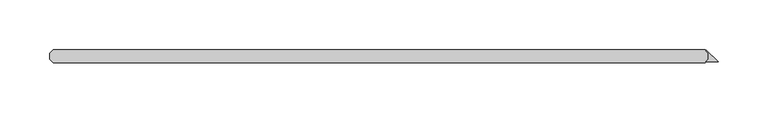
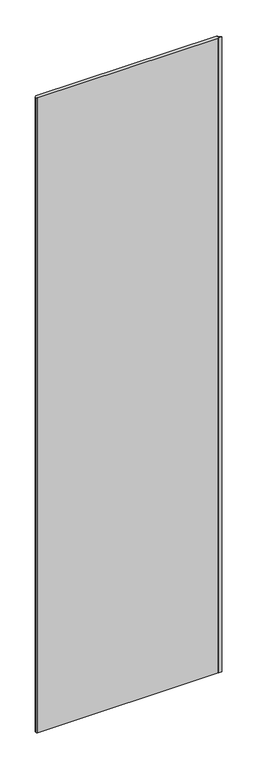
"""IFC4 building model written with IfcOpenShell, lengths in millimetres: plate geometry."""

from ifc_helpers import new_model, si_unit, origin, origin_with_axes, place, context, project, spatial, polyline, outline, extrude, source, transform, mapped, element, save


def plate_4ebe2ee3(model_context):
    return source(origin(), model_context, "Body", "SweptSolid", [
        extrude(outline(polyline([(342.968093, -33.3375), (342.968093, -26.9875), (340.5446039, -24.5640109), (341.1058699, -24.0027449), (352.821875, -35.71875), (340.586843, -35.71875), (342.968093, -33.3375)])), origin_with_axes(), (0.0, 0.0, 1.0), 2428.7789267),
        extrude(outline(polyline([(339.793093, -36.5125), (-313.928125, -36.5125), (-317.103125, -33.3375), (-317.103125, -26.9875), (-313.928125, -23.8125), (339.793093, -23.8125), (342.968093, -26.9875), (342.968093, -33.3375), (339.793093, -36.5125)])), origin_with_axes(), (0.0, 0.0, 1.0), 2428.7789267),
    ])


if __name__ == "__main__":
    model = new_model("IFC4")
    model_context = context("Model", 3, world=origin())
    ifc_project = project(units=[si_unit("LENGTHUNIT", "METRE", prefix="MILLI")], contexts=[model_context])
    site = spatial("IfcSite", under=ifc_project)
    building = spatial("IfcBuilding", under=site)
    placement = place(None, origin())
    plate_shape = plate_4ebe2ee3(model_context)
    element("IfcPlate", 1, at=placement, inside=building, context=model_context, shape_type="MappedRepresentation", body=[
        mapped(plate_shape, transform((0.0, 0.0, 0.0), x_axis=(1.0, 0.0, 0.0), y_axis=(0.0, 1.0, 0.0), z_axis=(0.0, 0.0, 1.0))),
    ])
    save(model, "model.ifc")
